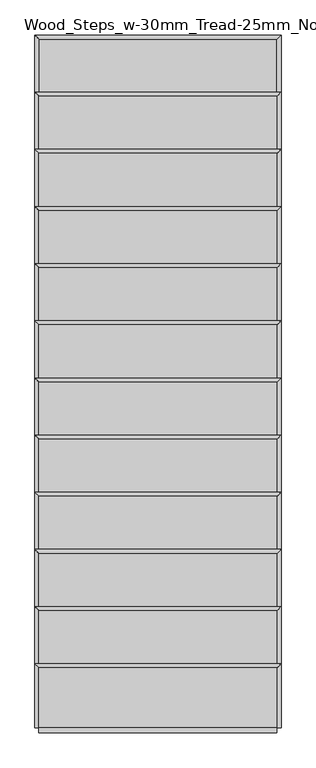
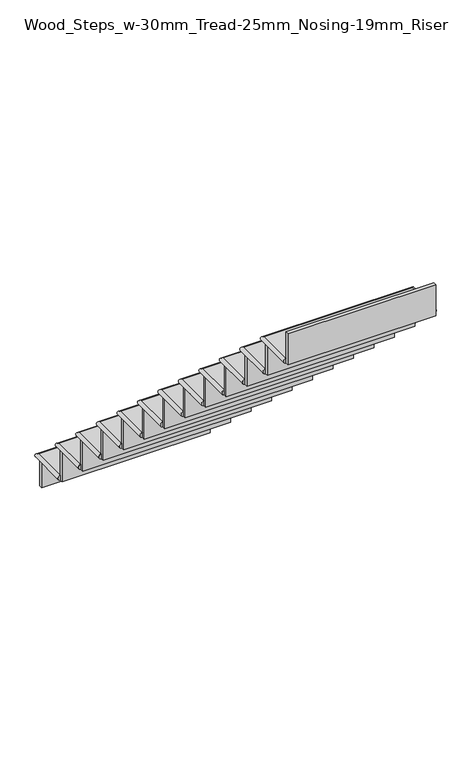
"""IFC4 building model written with IfcOpenShell, lengths in millimetres: stair flight geometry, Wood_Steps_w-30mm_Tread-25mm_Nosing-19mm_Riser."""

from ifc_helpers import new_model, si_unit, frame, origin, place, context, project, spatial, circle_curve, ellipse_curve, faceted_brep, source, transform, mapped, element, save
from ifc_brep_helpers import plane_surface, cylinder_surface, advanced_brep


def wood_steps_w_30mm_tread_25mm_nosing_19mm_riser_48429046(model_context):
    return source(origin(), model_context, "Body", "SolidModel", [
        advanced_brep(
        [(-45354.1135989, 50620.4031967, 108465.1568705), (-45354.1135989, 50620.4031967, 108495.1568705), (-45354.1135989, 50840.4031967, 108495.1568705), (-45354.1135989, 50840.4031967, 108465.1568705), (-44480.1323239, 50840.4031967, 108495.1568705), (-44480.1323239, 50840.4031967, 108465.1568705), (-44480.1323239, 50620.4031967, 108495.1568705), (-44480.1323239, 50620.4031967, 108465.1568705)],
        [
            (0, 1, circle_curve(frame((-45354.1135989, 50620.4031967, 108480.1568705), z_axis=(0.0, 1.0, 0.0), x_axis=(1.0, 0.0, 0.0)), 15.0)),
            (1, 2),
            (2, 3, ellipse_curve(frame((-45354.1135989, 50840.4031967, 108480.1568705), z_axis=(-0.7071067811865475, -0.7071067811865475, 0.0), x_axis=(0.7071067811865474, -0.7071067811865476, 0.0)), 21.2132034, 15.0)),
            (3, 0),
            (2, 4),
            (4, 5, ellipse_curve(frame((-44480.1323239, 50840.4031967, 108480.1568705), z_axis=(-0.7071067811865475, 0.7071067811865475, 0.0), x_axis=(-0.7071067811865476, -0.7071067811865474, 0.0)), 21.2132034, 15.0)),
            (5, 3),
            (4, 6),
            (6, 7, circle_curve(frame((-44480.1323239, 50620.4031967, 108480.1568705), z_axis=(0.0, 1.0, 0.0), x_axis=(-1.0, 0.0, 0.0)), 15.0)),
            (7, 5),
            (1, 6),
            (7, 0),
        ],
        [
            cylinder_surface(frame((-45354.1135989, 50620.4031967, 108480.1568705), z_axis=(0.0, -1.0, 0.0), x_axis=(1.0, 0.0, 0.0)), 15.0),
            cylinder_surface(frame((-45354.1135989, 50840.4031967, 108480.1568705), z_axis=(-1.0, 0.0, 0.0), x_axis=(0.0, -1.0, 0.0)), 15.0),
            cylinder_surface(frame((-44480.1323239, 50840.4031967, 108480.1568705), z_axis=(0.0, 1.0, 0.0), x_axis=(-1.0, 0.0, 0.0)), 15.0),
            plane_surface(frame((-44480.1323239, 50855.4031967, 108495.1568705), z_axis=(0.0, 0.0, 1.0), x_axis=(0.0, 1.0, 0.0))),
            plane_surface(frame((-44480.1323239, 50855.4031967, 108465.1568705), z_axis=(0.0, 0.0, -1.0), x_axis=(0.0, -1.0, 0.0))),
            plane_surface(frame((-45354.1135989, 50620.4031967, 108495.1568705), z_axis=(0.0, -1.0, 0.0), x_axis=(0.0, 0.0, -1.0))),
        ],
        [
            (0, [[1, 2, 3, 4]]),
            (1, [[-3, 5, 6, 7]]),
            (2, [[-6, 8, 9, 10]]),
            (3, [[11, -8, -5, -2]]),
            (4, [[12, -4, -7, -10]]),
            (5, [[-11, -1, -12, -9]]),
        ],
    ),
        faceted_brep([(-45354.1135989, 50830.4031967, 108465.1568705), (-45354.1135989, 50830.4031967, 108301.3956315), (-45354.1135989, 50811.4031967, 108301.3956315), (-45354.1135989, 50811.4031967, 108465.1568705), (-44480.1323239, 50830.4031967, 108465.1568705), (-44480.1323239, 50811.4031967, 108465.1568705), (-44480.1323239, 50811.4031967, 108301.3956315), (-44480.1323239, 50830.4031967, 108301.3956315)], [[[0, 1, 2, 3]], [[4, 5, 6, 7]], [[1, 0, 4, 7]], [[2, 1, 7, 6]], [[3, 2, 6, 5]], [[0, 3, 5, 4]]]),
        faceted_brep([(-45354.1135989, 50620.4031967, 108658.9181096), (-45354.1135989, 50620.4031967, 108465.1568705), (-45354.1135989, 50601.4031967, 108465.1568705), (-45354.1135989, 50601.4031967, 108658.9181096), (-44480.1323239, 50620.4031967, 108658.9181096), (-44480.1323239, 50601.4031967, 108658.9181096), (-44480.1323239, 50601.4031967, 108465.1568705), (-44480.1323239, 50620.4031967, 108465.1568705)], [[[0, 1, 2, 3]], [[4, 5, 6, 7]], [[1, 0, 4, 7]], [[2, 1, 7, 6]], [[3, 2, 6, 5]], [[0, 3, 5, 4]]]),
        advanced_brep(
        [(-45354.1135989, 50410.4031967, 108688.9181096), (-44480.1323239, 50410.4031967, 108688.9181096), (-44480.1323239, 50630.4031967, 108688.9181096), (-45354.1135989, 50630.4031967, 108688.9181096), (-44480.1323239, 50410.4031967, 108658.9181096), (-45354.1135989, 50410.4031967, 108658.9181096), (-45354.1135989, 50630.4031967, 108658.9181096), (-44480.1323239, 50630.4031967, 108658.9181096)],
        [
            (0, 1),
            (1, 2),
            (2, 3),
            (3, 0),
            (4, 5),
            (5, 6),
            (6, 7),
            (7, 4),
            (0, 5, circle_curve(frame((-45354.1135989, 50410.4031967, 108673.9181096), z_axis=(0.0, -1.0, 0.0), x_axis=(1.0, 0.0, 0.0)), 15.0)),
            (4, 1, circle_curve(frame((-44480.1323239, 50410.4031967, 108673.9181096), z_axis=(0.0, -1.0, 0.0), x_axis=(-1.0, 0.0, 0.0)), 15.0)),
            (3, 6, ellipse_curve(frame((-45354.1135989, 50630.4031967, 108673.9181096), z_axis=(-0.7071067811865475, -0.7071067811865475, 0.0), x_axis=(0.7071067811865474, -0.7071067811865476, 0.0)), 21.2132034, 15.0)),
            (2, 7, ellipse_curve(frame((-44480.1323239, 50630.4031967, 108673.9181096), z_axis=(-0.7071067811865475, 0.7071067811865475, 0.0), x_axis=(-0.7071067811865476, -0.7071067811865474, 0.0)), 21.2132034, 15.0)),
        ],
        [
            plane_surface(frame((-44480.1323239, 50855.4031967, 108688.9181096), z_axis=(0.0, 0.0, 1.0), x_axis=(0.0, 1.0, 0.0))),
            plane_surface(frame((-44480.1323239, 50855.4031967, 108658.9181096), z_axis=(0.0, 0.0, -1.0), x_axis=(0.0, -1.0, 0.0))),
            plane_surface(frame((-45354.1135989, 50410.4031967, 108688.9181096), z_axis=(0.0, -1.0, 0.0), x_axis=(0.0, 0.0, -1.0))),
            cylinder_surface(frame((-45354.1135989, 50410.4031967, 108673.9181096), z_axis=(0.0, -1.0, 0.0), x_axis=(1.0, 0.0, 0.0)), 15.0),
            cylinder_surface(frame((-45354.1135989, 50630.4031967, 108673.9181096), z_axis=(-1.0, 0.0, 0.0), x_axis=(0.0, -1.0, 0.0)), 15.0),
            cylinder_surface(frame((-44480.1323239, 50630.4031967, 108673.9181096), z_axis=(0.0, 1.0, 0.0), x_axis=(-1.0, 0.0, 0.0)), 15.0),
        ],
        [
            (0, [[1, 2, 3, 4]]),
            (1, [[5, 6, 7, 8]]),
            (2, [[-1, 9, -5, 10]]),
            (3, [[-9, -4, 11, -6]]),
            (4, [[-11, -3, 12, -7]]),
            (5, [[-12, -2, -10, -8]]),
        ],
    ),
        faceted_brep([(-45354.1135989, 50410.4031967, 108852.6793486), (-45354.1135989, 50410.4031967, 108658.9181096), (-45354.1135989, 50391.4031967, 108658.9181096), (-45354.1135989, 50391.4031967, 108852.6793486), (-44480.1323239, 50410.4031967, 108852.6793486), (-44480.1323239, 50391.4031967, 108852.6793486), (-44480.1323239, 50391.4031967, 108658.9181096), (-44480.1323239, 50410.4031967, 108658.9181096)], [[[0, 1, 2, 3]], [[4, 5, 6, 7]], [[1, 0, 4, 7]], [[2, 1, 7, 6]], [[3, 2, 6, 5]], [[0, 3, 5, 4]]]),
        advanced_brep(
        [(-45354.1135989, 50200.4031967, 108882.6793486), (-44480.1323239, 50200.4031967, 108882.6793486), (-44480.1323239, 50420.4031967, 108882.6793486), (-45354.1135989, 50420.4031967, 108882.6793486), (-44480.1323239, 50200.4031967, 108852.6793486), (-45354.1135989, 50200.4031967, 108852.6793486), (-45354.1135989, 50420.4031967, 108852.6793486), (-44480.1323239, 50420.4031967, 108852.6793486)],
        [
            (0, 1),
            (1, 2),
            (2, 3),
            (3, 0),
            (4, 5),
            (5, 6),
            (6, 7),
            (7, 4),
            (0, 5, circle_curve(frame((-45354.1135989, 50200.4031967, 108867.6793486), z_axis=(0.0, -1.0, 0.0), x_axis=(1.0, 0.0, 0.0)), 15.0)),
            (4, 1, circle_curve(frame((-44480.1323239, 50200.4031967, 108867.6793486), z_axis=(0.0, -1.0, 0.0), x_axis=(-1.0, 0.0, 0.0)), 15.0)),
            (3, 6, ellipse_curve(frame((-45354.1135989, 50420.4031967, 108867.6793486), z_axis=(-0.7071067811865475, -0.7071067811865475, 0.0), x_axis=(0.7071067811865474, -0.7071067811865476, 0.0)), 21.2132034, 15.0)),
            (2, 7, ellipse_curve(frame((-44480.1323239, 50420.4031967, 108867.6793486), z_axis=(-0.7071067811865475, 0.7071067811865475, 0.0), x_axis=(-0.7071067811865476, -0.7071067811865474, 0.0)), 21.2132034, 15.0)),
        ],
        [
            plane_surface(frame((-44480.1323239, 50645.4031967, 108882.6793486), z_axis=(0.0, 0.0, 1.0), x_axis=(0.0, 1.0, 0.0))),
            plane_surface(frame((-44480.1323239, 50645.4031967, 108852.6793486), z_axis=(0.0, 0.0, -1.0), x_axis=(0.0, -1.0, 0.0))),
            plane_surface(frame((-45354.1135989, 50200.4031967, 108882.6793486), z_axis=(0.0, -1.0, 0.0), x_axis=(0.0, 0.0, -1.0))),
            cylinder_surface(frame((-45354.1135989, 50200.4031967, 108867.6793486), z_axis=(0.0, -1.0, 0.0), x_axis=(1.0, 0.0, 0.0)), 15.0),
            cylinder_surface(frame((-45354.1135989, 50420.4031967, 108867.6793486), z_axis=(-1.0, 0.0, 0.0), x_axis=(0.0, -1.0, 0.0)), 15.0),
            cylinder_surface(frame((-44480.1323239, 50420.4031967, 108867.6793486), z_axis=(0.0, 1.0, 0.0), x_axis=(-1.0, 0.0, 0.0)), 15.0),
        ],
        [
            (0, [[1, 2, 3, 4]]),
            (1, [[5, 6, 7, 8]]),
            (2, [[-1, 9, -5, 10]]),
            (3, [[-9, -4, 11, -6]]),
            (4, [[-11, -3, 12, -7]]),
            (5, [[-12, -2, -10, -8]]),
        ],
    ),
        faceted_brep([(-45354.1135989, 50200.4031967, 109046.4405877), (-45354.1135989, 50200.4031967, 108852.6793486), (-45354.1135989, 50181.4031967, 108852.6793486), (-45354.1135989, 50181.4031967, 109046.4405877), (-44480.1323239, 50200.4031967, 109046.4405877), (-44480.1323239, 50181.4031967, 109046.4405877), (-44480.1323239, 50181.4031967, 108852.6793486), (-44480.1323239, 50200.4031967, 108852.6793486)], [[[0, 1, 2, 3]], [[4, 5, 6, 7]], [[1, 0, 4, 7]], [[2, 1, 7, 6]], [[3, 2, 6, 5]], [[0, 3, 5, 4]]]),
        advanced_brep(
        [(-45354.1135989, 49990.4031967, 109076.4405877), (-44480.1323239, 49990.4031967, 109076.4405877), (-44480.1323239, 50210.4031967, 109076.4405877), (-45354.1135989, 50210.4031967, 109076.4405877), (-44480.1323239, 49990.4031967, 109046.4405877), (-45354.1135989, 49990.4031967, 109046.4405877), (-45354.1135989, 50210.4031967, 109046.4405877), (-44480.1323239, 50210.4031967, 109046.4405877)],
        [
            (0, 1),
            (1, 2),
            (2, 3),
            (3, 0),
            (4, 5),
            (5, 6),
            (6, 7),
            (7, 4),
            (0, 5, circle_curve(frame((-45354.1135989, 49990.4031967, 109061.4405877), z_axis=(0.0, -1.0, 0.0), x_axis=(1.0, 0.0, 0.0)), 15.0)),
            (4, 1, circle_curve(frame((-44480.1323239, 49990.4031967, 109061.4405877), z_axis=(0.0, -1.0, 0.0), x_axis=(-1.0, 0.0, 0.0)), 15.0)),
            (3, 6, ellipse_curve(frame((-45354.1135989, 50210.4031967, 109061.4405877), z_axis=(-0.7071067811865475, -0.7071067811865475, 0.0), x_axis=(0.7071067811865474, -0.7071067811865476, 0.0)), 21.2132034, 15.0)),
            (2, 7, ellipse_curve(frame((-44480.1323239, 50210.4031967, 109061.4405877), z_axis=(-0.7071067811865475, 0.7071067811865475, 0.0), x_axis=(-0.7071067811865476, -0.7071067811865474, 0.0)), 21.2132034, 15.0)),
        ],
        [
            plane_surface(frame((-44480.1323239, 50435.4031967, 109076.4405877), z_axis=(0.0, 0.0, 1.0), x_axis=(0.0, 1.0, 0.0))),
            plane_surface(frame((-44480.1323239, 50435.4031967, 109046.4405877), z_axis=(0.0, 0.0, -1.0), x_axis=(0.0, -1.0, 0.0))),
            plane_surface(frame((-45354.1135989, 49990.4031967, 109076.4405877), z_axis=(0.0, -1.0, 0.0), x_axis=(0.0, 0.0, -1.0))),
            cylinder_surface(frame((-45354.1135989, 49990.4031967, 109061.4405877), z_axis=(0.0, -1.0, 0.0), x_axis=(1.0, 0.0, 0.0)), 15.0),
            cylinder_surface(frame((-45354.1135989, 50210.4031967, 109061.4405877), z_axis=(-1.0, 0.0, 0.0), x_axis=(0.0, -1.0, 0.0)), 15.0),
            cylinder_surface(frame((-44480.1323239, 50210.4031967, 109061.4405877), z_axis=(0.0, 1.0, 0.0), x_axis=(-1.0, 0.0, 0.0)), 15.0),
        ],
        [
            (0, [[1, 2, 3, 4]]),
            (1, [[5, 6, 7, 8]]),
            (2, [[-1, 9, -5, 10]]),
            (3, [[-9, -4, 11, -6]]),
            (4, [[-11, -3, 12, -7]]),
            (5, [[-12, -2, -10, -8]]),
        ],
    ),
        faceted_brep([(-45354.1135989, 49990.4031967, 109240.2018267), (-45354.1135989, 49990.4031967, 109046.4405877), (-45354.1135989, 49971.4031967, 109046.4405877), (-45354.1135989, 49971.4031967, 109240.2018267), (-44480.1323239, 49990.4031967, 109240.2018267), (-44480.1323239, 49971.4031967, 109240.2018267), (-44480.1323239, 49971.4031967, 109046.4405877), (-44480.1323239, 49990.4031967, 109046.4405877)], [[[0, 1, 2, 3]], [[4, 5, 6, 7]], [[1, 0, 4, 7]], [[2, 1, 7, 6]], [[3, 2, 6, 5]], [[0, 3, 5, 4]]]),
        advanced_brep(
        [(-45354.1135989, 49780.4031967, 109270.2018267), (-44480.1323239, 49780.4031967, 109270.2018267), (-44480.1323239, 50000.4031967, 109270.2018267), (-45354.1135989, 50000.4031967, 109270.2018267), (-44480.1323239, 49780.4031967, 109240.2018267), (-45354.1135989, 49780.4031967, 109240.2018267), (-45354.1135989, 50000.4031967, 109240.2018267), (-44480.1323239, 50000.4031967, 109240.2018267)],
        [
            (0, 1),
            (1, 2),
            (2, 3),
            (3, 0),
            (4, 5),
            (5, 6),
            (6, 7),
            (7, 4),
            (0, 5, circle_curve(frame((-45354.1135989, 49780.4031967, 109255.2018267), z_axis=(0.0, -1.0, 0.0), x_axis=(1.0, 0.0, 0.0)), 15.0)),
            (4, 1, circle_curve(frame((-44480.1323239, 49780.4031967, 109255.2018267), z_axis=(0.0, -1.0, 0.0), x_axis=(-1.0, 0.0, 0.0)), 15.0)),
            (3, 6, ellipse_curve(frame((-45354.1135989, 50000.4031967, 109255.2018267), z_axis=(-0.7071067811865475, -0.7071067811865475, 0.0), x_axis=(0.7071067811865474, -0.7071067811865476, 0.0)), 21.2132034, 15.0)),
            (2, 7, ellipse_curve(frame((-44480.1323239, 50000.4031967, 109255.2018267), z_axis=(-0.7071067811865475, 0.7071067811865475, 0.0), x_axis=(-0.7071067811865476, -0.7071067811865474, 0.0)), 21.2132034, 15.0)),
        ],
        [
            plane_surface(frame((-44480.1323239, 50225.4031967, 109270.2018267), z_axis=(0.0, 0.0, 1.0), x_axis=(0.0, 1.0, 0.0))),
            plane_surface(frame((-44480.1323239, 50225.4031967, 109240.2018267), z_axis=(0.0, 0.0, -1.0), x_axis=(0.0, -1.0, 0.0))),
            plane_surface(frame((-45354.1135989, 49780.4031967, 109270.2018267), z_axis=(0.0, -1.0, 0.0), x_axis=(0.0, 0.0, -1.0))),
            cylinder_surface(frame((-45354.1135989, 49780.4031967, 109255.2018267), z_axis=(0.0, -1.0, 0.0), x_axis=(1.0, 0.0, 0.0)), 15.0),
            cylinder_surface(frame((-45354.1135989, 50000.4031967, 109255.2018267), z_axis=(-1.0, 0.0, 0.0), x_axis=(0.0, -1.0, 0.0)), 15.0),
            cylinder_surface(frame((-44480.1323239, 50000.4031967, 109255.2018267), z_axis=(0.0, 1.0, 0.0), x_axis=(-1.0, 0.0, 0.0)), 15.0),
        ],
        [
            (0, [[1, 2, 3, 4]]),
            (1, [[5, 6, 7, 8]]),
            (2, [[-1, 9, -5, 10]]),
            (3, [[-9, -4, 11, -6]]),
            (4, [[-11, -3, 12, -7]]),
            (5, [[-12, -2, -10, -8]]),
        ],
    ),
        faceted_brep([(-45354.1135989, 49780.4031967, 109433.9630657), (-45354.1135989, 49780.4031967, 109240.2018267), (-45354.1135989, 49761.4031967, 109240.2018267), (-45354.1135989, 49761.4031967, 109433.9630657), (-44480.1323239, 49780.4031967, 109433.9630657), (-44480.1323239, 49761.4031967, 109433.9630657), (-44480.1323239, 49761.4031967, 109240.2018267), (-44480.1323239, 49780.4031967, 109240.2018267)], [[[0, 1, 2, 3]], [[4, 5, 6, 7]], [[1, 0, 4, 7]], [[2, 1, 7, 6]], [[3, 2, 6, 5]], [[0, 3, 5, 4]]]),
        advanced_brep(
        [(-45354.1135989, 49570.4031967, 109463.9630657), (-44480.1323239, 49570.4031967, 109463.9630657), (-44480.1323239, 49790.4031967, 109463.9630657), (-45354.1135989, 49790.4031967, 109463.9630657), (-44480.1323239, 49570.4031967, 109433.9630657), (-45354.1135989, 49570.4031967, 109433.9630657), (-45354.1135989, 49790.4031967, 109433.9630657), (-44480.1323239, 49790.4031967, 109433.9630657)],
        [
            (0, 1),
            (1, 2),
            (2, 3),
            (3, 0),
            (4, 5),
            (5, 6),
            (6, 7),
            (7, 4),
            (0, 5, circle_curve(frame((-45354.1135989, 49570.4031967, 109448.9630657), z_axis=(0.0, -1.0, 0.0), x_axis=(1.0, 0.0, 0.0)), 15.0)),
            (4, 1, circle_curve(frame((-44480.1323239, 49570.4031967, 109448.9630657), z_axis=(0.0, -1.0, 0.0), x_axis=(-1.0, 0.0, 0.0)), 15.0)),
            (3, 6, ellipse_curve(frame((-45354.1135989, 49790.4031967, 109448.9630657), z_axis=(-0.7071067811865475, -0.7071067811865475, 0.0), x_axis=(0.7071067811865474, -0.7071067811865476, 0.0)), 21.2132034, 15.0)),
            (2, 7, ellipse_curve(frame((-44480.1323239, 49790.4031967, 109448.9630657), z_axis=(-0.7071067811865475, 0.7071067811865475, 0.0), x_axis=(-0.7071067811865476, -0.7071067811865474, 0.0)), 21.2132034, 15.0)),
        ],
        [
            plane_surface(frame((-44480.1323239, 50015.4031967, 109463.9630657), z_axis=(0.0, 0.0, 1.0), x_axis=(0.0, 1.0, 0.0))),
            plane_surface(frame((-44480.1323239, 50015.4031967, 109433.9630657), z_axis=(0.0, 0.0, -1.0), x_axis=(0.0, -1.0, 0.0))),
            plane_surface(frame((-45354.1135989, 49570.4031967, 109463.9630657), z_axis=(0.0, -1.0, 0.0), x_axis=(0.0, 0.0, -1.0))),
            cylinder_surface(frame((-45354.1135989, 49570.4031967, 109448.9630657), z_axis=(0.0, -1.0, 0.0), x_axis=(1.0, 0.0, 0.0)), 15.0),
            cylinder_surface(frame((-45354.1135989, 49790.4031967, 109448.9630657), z_axis=(-1.0, 0.0, 0.0), x_axis=(0.0, -1.0, 0.0)), 15.0),
            cylinder_surface(frame((-44480.1323239, 49790.4031967, 109448.9630657), z_axis=(0.0, 1.0, 0.0), x_axis=(-1.0, 0.0, 0.0)), 15.0),
        ],
        [
            (0, [[1, 2, 3, 4]]),
            (1, [[5, 6, 7, 8]]),
            (2, [[-1, 9, -5, 10]]),
            (3, [[-9, -4, 11, -6]]),
            (4, [[-11, -3, 12, -7]]),
            (5, [[-12, -2, -10, -8]]),
        ],
    ),
        faceted_brep([(-45354.1135989, 49570.4031967, 109627.7243048), (-45354.1135989, 49570.4031967, 109433.9630657), (-45354.1135989, 49551.4031967, 109433.9630657), (-45354.1135989, 49551.4031967, 109627.7243048), (-44480.1323239, 49570.4031967, 109627.7243048), (-44480.1323239, 49551.4031967, 109627.7243048), (-44480.1323239, 49551.4031967, 109433.9630657), (-44480.1323239, 49570.4031967, 109433.9630657)], [[[0, 1, 2, 3]], [[4, 5, 6, 7]], [[1, 0, 4, 7]], [[2, 1, 7, 6]], [[3, 2, 6, 5]], [[0, 3, 5, 4]]]),
        advanced_brep(
        [(-45354.1135989, 49360.4031967, 109657.7243048), (-44480.1323239, 49360.4031967, 109657.7243048), (-44480.1323239, 49580.4031967, 109657.7243048), (-45354.1135989, 49580.4031967, 109657.7243048), (-44480.1323239, 49360.4031967, 109627.7243048), (-45354.1135989, 49360.4031967, 109627.7243048), (-45354.1135989, 49580.4031967, 109627.7243048), (-44480.1323239, 49580.4031967, 109627.7243048)],
        [
            (0, 1),
            (1, 2),
            (2, 3),
            (3, 0),
            (4, 5),
            (5, 6),
            (6, 7),
            (7, 4),
            (0, 5, circle_curve(frame((-45354.1135989, 49360.4031967, 109642.7243048), z_axis=(0.0, -1.0, 0.0), x_axis=(1.0, 0.0, 0.0)), 15.0)),
            (4, 1, circle_curve(frame((-44480.1323239, 49360.4031967, 109642.7243048), z_axis=(0.0, -1.0, 0.0), x_axis=(-1.0, 0.0, 0.0)), 15.0)),
            (3, 6, ellipse_curve(frame((-45354.1135989, 49580.4031967, 109642.7243048), z_axis=(-0.7071067811865475, -0.7071067811865475, 0.0), x_axis=(0.7071067811865474, -0.7071067811865476, 0.0)), 21.2132034, 15.0)),
            (2, 7, ellipse_curve(frame((-44480.1323239, 49580.4031967, 109642.7243048), z_axis=(-0.7071067811865475, 0.7071067811865475, 0.0), x_axis=(-0.7071067811865476, -0.7071067811865474, 0.0)), 21.2132034, 15.0)),
        ],
        [
            plane_surface(frame((-44480.1323239, 49805.4031967, 109657.7243048), z_axis=(0.0, 0.0, 1.0), x_axis=(0.0, 1.0, 0.0))),
            plane_surface(frame((-44480.1323239, 49805.4031967, 109627.7243048), z_axis=(0.0, 0.0, -1.0), x_axis=(0.0, -1.0, 0.0))),
            plane_surface(frame((-45354.1135989, 49360.4031967, 109657.7243048), z_axis=(0.0, -1.0, 0.0), x_axis=(0.0, 0.0, -1.0))),
            cylinder_surface(frame((-45354.1135989, 49360.4031967, 109642.7243048), z_axis=(0.0, -1.0, 0.0), x_axis=(1.0, 0.0, 0.0)), 15.0),
            cylinder_surface(frame((-45354.1135989, 49580.4031967, 109642.7243048), z_axis=(-1.0, 0.0, 0.0), x_axis=(0.0, -1.0, 0.0)), 15.0),
            cylinder_surface(frame((-44480.1323239, 49580.4031967, 109642.7243048), z_axis=(0.0, 1.0, 0.0), x_axis=(-1.0, 0.0, 0.0)), 15.0),
        ],
        [
            (0, [[1, 2, 3, 4]]),
            (1, [[5, 6, 7, 8]]),
            (2, [[-1, 9, -5, 10]]),
            (3, [[-9, -4, 11, -6]]),
            (4, [[-11, -3, 12, -7]]),
            (5, [[-12, -2, -10, -8]]),
        ],
    ),
        faceted_brep([(-45354.1135989, 49360.4031967, 109821.4855438), (-45354.1135989, 49360.4031967, 109627.7243048), (-45354.1135989, 49341.4031967, 109627.7243048), (-45354.1135989, 49341.4031967, 109821.4855438), (-44480.1323239, 49360.4031967, 109821.4855438), (-44480.1323239, 49341.4031967, 109821.4855438), (-44480.1323239, 49341.4031967, 109627.7243048), (-44480.1323239, 49360.4031967, 109627.7243048)], [[[0, 1, 2, 3]], [[4, 5, 6, 7]], [[1, 0, 4, 7]], [[2, 1, 7, 6]], [[3, 2, 6, 5]], [[0, 3, 5, 4]]]),
        advanced_brep(
        [(-45354.1135989, 49150.4031967, 109851.4855438), (-44480.1323239, 49150.4031967, 109851.4855438), (-44480.1323239, 49370.4031967, 109851.4855438), (-45354.1135989, 49370.4031967, 109851.4855438), (-44480.1323239, 49150.4031967, 109821.4855438), (-45354.1135989, 49150.4031967, 109821.4855438), (-45354.1135989, 49370.4031967, 109821.4855438), (-44480.1323239, 49370.4031967, 109821.4855438)],
        [
            (0, 1),
            (1, 2),
            (2, 3),
            (3, 0),
            (4, 5),
            (5, 6),
            (6, 7),
            (7, 4),
            (0, 5, circle_curve(frame((-45354.1135989, 49150.4031967, 109836.4855438), z_axis=(0.0, -1.0, 0.0), x_axis=(1.0, 0.0, 0.0)), 15.0)),
            (4, 1, circle_curve(frame((-44480.1323239, 49150.4031967, 109836.4855438), z_axis=(0.0, -1.0, 0.0), x_axis=(-1.0, 0.0, 0.0)), 15.0)),
            (3, 6, ellipse_curve(frame((-45354.1135989, 49370.4031967, 109836.4855438), z_axis=(-0.7071067811865475, -0.7071067811865475, 0.0), x_axis=(0.7071067811865474, -0.7071067811865476, 0.0)), 21.2132034, 15.0)),
            (2, 7, ellipse_curve(frame((-44480.1323239, 49370.4031967, 109836.4855438), z_axis=(-0.7071067811865475, 0.7071067811865475, 0.0), x_axis=(-0.7071067811865476, -0.7071067811865474, 0.0)), 21.2132034, 15.0)),
        ],
        [
            plane_surface(frame((-44480.1323239, 49595.4031967, 109851.4855438), z_axis=(0.0, 0.0, 1.0), x_axis=(0.0, 1.0, 0.0))),
            plane_surface(frame((-44480.1323239, 49595.4031967, 109821.4855438), z_axis=(0.0, 0.0, -1.0), x_axis=(0.0, -1.0, 0.0))),
            plane_surface(frame((-45354.1135989, 49150.4031967, 109851.4855438), z_axis=(0.0, -1.0, 0.0), x_axis=(0.0, 0.0, -1.0))),
            cylinder_surface(frame((-45354.1135989, 49150.4031967, 109836.4855438), z_axis=(0.0, -1.0, 0.0), x_axis=(1.0, 0.0, 0.0)), 15.0),
            cylinder_surface(frame((-45354.1135989, 49370.4031967, 109836.4855438), z_axis=(-1.0, 0.0, 0.0), x_axis=(0.0, -1.0, 0.0)), 15.0),
            cylinder_surface(frame((-44480.1323239, 49370.4031967, 109836.4855438), z_axis=(0.0, 1.0, 0.0), x_axis=(-1.0, 0.0, 0.0)), 15.0),
        ],
        [
            (0, [[1, 2, 3, 4]]),
            (1, [[5, 6, 7, 8]]),
            (2, [[-1, 9, -5, 10]]),
            (3, [[-9, -4, 11, -6]]),
            (4, [[-11, -3, 12, -7]]),
            (5, [[-12, -2, -10, -8]]),
        ],
    ),
        faceted_brep([(-45354.1135989, 49150.4031967, 110015.2467829), (-45354.1135989, 49150.4031967, 109821.4855438), (-45354.1135989, 49131.4031967, 109821.4855438), (-45354.1135989, 49131.4031967, 110015.2467829), (-44480.1323239, 49150.4031967, 110015.2467829), (-44480.1323239, 49131.4031967, 110015.2467829), (-44480.1323239, 49131.4031967, 109821.4855438), (-44480.1323239, 49150.4031967, 109821.4855438)], [[[0, 1, 2, 3]], [[4, 5, 6, 7]], [[1, 0, 4, 7]], [[2, 1, 7, 6]], [[3, 2, 6, 5]], [[0, 3, 5, 4]]]),
        advanced_brep(
        [(-45354.1135989, 48940.4031967, 110045.2467829), (-44480.1323239, 48940.4031967, 110045.2467829), (-44480.1323239, 49160.4031967, 110045.2467829), (-45354.1135989, 49160.4031967, 110045.2467829), (-44480.1323239, 48940.4031967, 110015.2467829), (-45354.1135989, 48940.4031967, 110015.2467829), (-45354.1135989, 49160.4031967, 110015.2467829), (-44480.1323239, 49160.4031967, 110015.2467829)],
        [
            (0, 1),
            (1, 2),
            (2, 3),
            (3, 0),
            (4, 5),
            (5, 6),
            (6, 7),
            (7, 4),
            (0, 5, circle_curve(frame((-45354.1135989, 48940.4031967, 110030.2467829), z_axis=(0.0, -1.0, 0.0), x_axis=(1.0, 0.0, 0.0)), 15.0)),
            (4, 1, circle_curve(frame((-44480.1323239, 48940.4031967, 110030.2467829), z_axis=(0.0, -1.0, 0.0), x_axis=(-1.0, 0.0, 0.0)), 15.0)),
            (3, 6, ellipse_curve(frame((-45354.1135989, 49160.4031967, 110030.2467829), z_axis=(-0.7071067811865475, -0.7071067811865475, 0.0), x_axis=(0.7071067811865474, -0.7071067811865476, 0.0)), 21.2132034, 15.0)),
            (2, 7, ellipse_curve(frame((-44480.1323239, 49160.4031967, 110030.2467829), z_axis=(-0.7071067811865475, 0.7071067811865475, 0.0), x_axis=(-0.7071067811865476, -0.7071067811865474, 0.0)), 21.2132034, 15.0)),
        ],
        [
            plane_surface(frame((-44480.1323239, 49385.4031967, 110045.2467829), z_axis=(0.0, 0.0, 1.0), x_axis=(0.0, 1.0, 0.0))),
            plane_surface(frame((-44480.1323239, 49385.4031967, 110015.2467829), z_axis=(0.0, 0.0, -1.0), x_axis=(0.0, -1.0, 0.0))),
            plane_surface(frame((-45354.1135989, 48940.4031967, 110045.2467829), z_axis=(0.0, -1.0, 0.0), x_axis=(0.0, 0.0, -1.0))),
            cylinder_surface(frame((-45354.1135989, 48940.4031967, 110030.2467829), z_axis=(0.0, -1.0, 0.0), x_axis=(1.0, 0.0, 0.0)), 15.0),
            cylinder_surface(frame((-45354.1135989, 49160.4031967, 110030.2467829), z_axis=(-1.0, 0.0, 0.0), x_axis=(0.0, -1.0, 0.0)), 15.0),
            cylinder_surface(frame((-44480.1323239, 49160.4031967, 110030.2467829), z_axis=(0.0, 1.0, 0.0), x_axis=(-1.0, 0.0, 0.0)), 15.0),
        ],
        [
            (0, [[1, 2, 3, 4]]),
            (1, [[5, 6, 7, 8]]),
            (2, [[-1, 9, -5, 10]]),
            (3, [[-9, -4, 11, -6]]),
            (4, [[-11, -3, 12, -7]]),
            (5, [[-12, -2, -10, -8]]),
        ],
    ),
        faceted_brep([(-45354.1135989, 48940.4031967, 110209.0080219), (-45354.1135989, 48940.4031967, 110015.2467829), (-45354.1135989, 48921.4031967, 110015.2467829), (-45354.1135989, 48921.4031967, 110209.0080219), (-44480.1323239, 48940.4031967, 110209.0080219), (-44480.1323239, 48921.4031967, 110209.0080219), (-44480.1323239, 48921.4031967, 110015.2467829), (-44480.1323239, 48940.4031967, 110015.2467829)], [[[0, 1, 2, 3]], [[4, 5, 6, 7]], [[1, 0, 4, 7]], [[2, 1, 7, 6]], [[3, 2, 6, 5]], [[0, 3, 5, 4]]]),
        advanced_brep(
        [(-45354.1135989, 48730.4031967, 110239.0080219), (-44480.1323239, 48730.4031967, 110239.0080219), (-44480.1323239, 48950.4031967, 110239.0080219), (-45354.1135989, 48950.4031967, 110239.0080219), (-44480.1323239, 48730.4031967, 110209.0080219), (-45354.1135989, 48730.4031967, 110209.0080219), (-45354.1135989, 48950.4031967, 110209.0080219), (-44480.1323239, 48950.4031967, 110209.0080219)],
        [
            (0, 1),
            (1, 2),
            (2, 3),
            (3, 0),
            (4, 5),
            (5, 6),
            (6, 7),
            (7, 4),
            (0, 5, circle_curve(frame((-45354.1135989, 48730.4031967, 110224.0080219), z_axis=(0.0, -1.0, 0.0), x_axis=(1.0, 0.0, 0.0)), 15.0)),
            (4, 1, circle_curve(frame((-44480.1323239, 48730.4031967, 110224.0080219), z_axis=(0.0, -1.0, 0.0), x_axis=(-1.0, 0.0, 0.0)), 15.0)),
            (3, 6, ellipse_curve(frame((-45354.1135989, 48950.4031967, 110224.0080219), z_axis=(-0.7071067811865475, -0.7071067811865475, 0.0), x_axis=(0.7071067811865474, -0.7071067811865476, 0.0)), 21.2132034, 15.0)),
            (2, 7, ellipse_curve(frame((-44480.1323239, 48950.4031967, 110224.0080219), z_axis=(-0.7071067811865475, 0.7071067811865475, 0.0), x_axis=(-0.7071067811865476, -0.7071067811865474, 0.0)), 21.2132034, 15.0)),
        ],
        [
            plane_surface(frame((-44480.1323239, 49175.4031967, 110239.0080219), z_axis=(0.0, 0.0, 1.0), x_axis=(0.0, 1.0, 0.0))),
            plane_surface(frame((-44480.1323239, 49175.4031967, 110209.0080219), z_axis=(0.0, 0.0, -1.0), x_axis=(0.0, -1.0, 0.0))),
            plane_surface(frame((-45354.1135989, 48730.4031967, 110239.0080219), z_axis=(0.0, -1.0, 0.0), x_axis=(0.0, 0.0, -1.0))),
            cylinder_surface(frame((-45354.1135989, 48730.4031967, 110224.0080219), z_axis=(0.0, -1.0, 0.0), x_axis=(1.0, 0.0, 0.0)), 15.0),
            cylinder_surface(frame((-45354.1135989, 48950.4031967, 110224.0080219), z_axis=(-1.0, 0.0, 0.0), x_axis=(0.0, -1.0, 0.0)), 15.0),
            cylinder_surface(frame((-44480.1323239, 48950.4031967, 110224.0080219), z_axis=(0.0, 1.0, 0.0), x_axis=(-1.0, 0.0, 0.0)), 15.0),
        ],
        [
            (0, [[1, 2, 3, 4]]),
            (1, [[5, 6, 7, 8]]),
            (2, [[-1, 9, -5, 10]]),
            (3, [[-9, -4, 11, -6]]),
            (4, [[-11, -3, 12, -7]]),
            (5, [[-12, -2, -10, -8]]),
        ],
    ),
        faceted_brep([(-45354.1135989, 48730.4031967, 110402.769261), (-45354.1135989, 48730.4031967, 110209.0080219), (-45354.1135989, 48711.4031967, 110209.0080219), (-45354.1135989, 48711.4031967, 110402.769261), (-44480.1323239, 48730.4031967, 110402.769261), (-44480.1323239, 48711.4031967, 110402.769261), (-44480.1323239, 48711.4031967, 110209.0080219), (-44480.1323239, 48730.4031967, 110209.0080219)], [[[0, 1, 2, 3]], [[4, 5, 6, 7]], [[1, 0, 4, 7]], [[2, 1, 7, 6]], [[3, 2, 6, 5]], [[0, 3, 5, 4]]]),
        advanced_brep(
        [(-45354.1135989, 48520.4031967, 110432.769261), (-44480.1323239, 48520.4031967, 110432.769261), (-44480.1323239, 48740.4031967, 110432.769261), (-45354.1135989, 48740.4031967, 110432.769261), (-44480.1323239, 48520.4031967, 110402.769261), (-45354.1135989, 48520.4031967, 110402.769261), (-45354.1135989, 48740.4031967, 110402.769261), (-44480.1323239, 48740.4031967, 110402.769261)],
        [
            (0, 1),
            (1, 2),
            (2, 3),
            (3, 0),
            (4, 5),
            (5, 6),
            (6, 7),
            (7, 4),
            (0, 5, circle_curve(frame((-45354.1135989, 48520.4031967, 110417.769261), z_axis=(0.0, -1.0, 0.0), x_axis=(1.0, 0.0, 0.0)), 15.0)),
            (4, 1, circle_curve(frame((-44480.1323239, 48520.4031967, 110417.769261), z_axis=(0.0, -1.0, 0.0), x_axis=(-1.0, 0.0, 0.0)), 15.0)),
            (3, 6, ellipse_curve(frame((-45354.1135989, 48740.4031967, 110417.769261), z_axis=(-0.7071067811865475, -0.7071067811865475, 0.0), x_axis=(0.7071067811865474, -0.7071067811865476, 0.0)), 21.2132034, 15.0)),
            (2, 7, ellipse_curve(frame((-44480.1323239, 48740.4031967, 110417.769261), z_axis=(-0.7071067811865475, 0.7071067811865475, 0.0), x_axis=(-0.7071067811865476, -0.7071067811865474, 0.0)), 21.2132034, 15.0)),
        ],
        [
            plane_surface(frame((-44480.1323239, 48965.4031967, 110432.769261), z_axis=(0.0, 0.0, 1.0), x_axis=(0.0, 1.0, 0.0))),
            plane_surface(frame((-44480.1323239, 48965.4031967, 110402.769261), z_axis=(0.0, 0.0, -1.0), x_axis=(0.0, -1.0, 0.0))),
            plane_surface(frame((-45354.1135989, 48520.4031967, 110432.769261), z_axis=(0.0, -1.0, 0.0), x_axis=(0.0, 0.0, -1.0))),
            cylinder_surface(frame((-45354.1135989, 48520.4031967, 110417.769261), z_axis=(0.0, -1.0, 0.0), x_axis=(1.0, 0.0, 0.0)), 15.0),
            cylinder_surface(frame((-45354.1135989, 48740.4031967, 110417.769261), z_axis=(-1.0, 0.0, 0.0), x_axis=(0.0, -1.0, 0.0)), 15.0),
            cylinder_surface(frame((-44480.1323239, 48740.4031967, 110417.769261), z_axis=(0.0, 1.0, 0.0), x_axis=(-1.0, 0.0, 0.0)), 15.0),
        ],
        [
            (0, [[1, 2, 3, 4]]),
            (1, [[5, 6, 7, 8]]),
            (2, [[-1, 9, -5, 10]]),
            (3, [[-9, -4, 11, -6]]),
            (4, [[-11, -3, 12, -7]]),
            (5, [[-12, -2, -10, -8]]),
        ],
    ),
        faceted_brep([(-45354.1135989, 48520.4031967, 110596.5305), (-45354.1135989, 48520.4031967, 110402.769261), (-45354.1135989, 48501.4031967, 110402.769261), (-45354.1135989, 48501.4031967, 110596.5305), (-44480.1323239, 48520.4031967, 110596.5305), (-44480.1323239, 48501.4031967, 110596.5305), (-44480.1323239, 48501.4031967, 110402.769261), (-44480.1323239, 48520.4031967, 110402.769261)], [[[0, 1, 2, 3]], [[4, 5, 6, 7]], [[1, 0, 4, 7]], [[2, 1, 7, 6]], [[3, 2, 6, 5]], [[0, 3, 5, 4]]]),
        faceted_brep([(-45354.1135989, 48310.4031967, 110790.291739), (-45354.1135989, 48310.4031967, 110596.5305), (-45354.1135989, 48291.4031967, 110596.5305), (-45354.1135989, 48291.4031967, 110790.291739), (-44480.1323239, 48310.4031967, 110790.291739), (-44480.1323239, 48291.4031967, 110790.291739), (-44480.1323239, 48291.4031967, 110596.5305), (-44480.1323239, 48310.4031967, 110596.5305)], [[[0, 1, 2, 3]], [[4, 5, 6, 7]], [[1, 0, 4, 7]], [[2, 1, 7, 6]], [[3, 2, 6, 5]], [[0, 3, 5, 4]]]),
        advanced_brep(
        [(-45354.1135989, 48310.4031967, 110626.5305), (-44480.1323239, 48310.4031967, 110626.5305), (-44480.1323239, 48530.4031967, 110626.5305), (-45354.1135989, 48530.4031967, 110626.5305), (-44480.1323239, 48310.4031967, 110596.5305), (-45354.1135989, 48310.4031967, 110596.5305), (-45354.1135989, 48530.4031967, 110596.5305), (-44480.1323239, 48530.4031967, 110596.5305)],
        [
            (0, 1),
            (1, 2),
            (2, 3),
            (3, 0),
            (4, 5),
            (5, 6),
            (6, 7),
            (7, 4),
            (0, 5, circle_curve(frame((-45354.1135989, 48310.4031967, 110611.5305), z_axis=(0.0, -1.0, 0.0), x_axis=(1.0, 0.0, 0.0)), 15.0)),
            (4, 1, circle_curve(frame((-44480.1323239, 48310.4031967, 110611.5305), z_axis=(0.0, -1.0, 0.0), x_axis=(-1.0, 0.0, 0.0)), 15.0)),
            (3, 6, ellipse_curve(frame((-45354.1135989, 48530.4031967, 110611.5305), z_axis=(-0.7071067811865475, -0.7071067811865475, 0.0), x_axis=(0.7071067811865474, -0.7071067811865476, 0.0)), 21.2132034, 15.0)),
            (2, 7, ellipse_curve(frame((-44480.1323239, 48530.4031967, 110611.5305), z_axis=(-0.7071067811865475, 0.7071067811865475, 0.0), x_axis=(-0.7071067811865476, -0.7071067811865474, 0.0)), 21.2132034, 15.0)),
        ],
        [
            plane_surface(frame((-44480.1323239, 48755.4031967, 110626.5305), z_axis=(0.0, 0.0, 1.0), x_axis=(0.0, 1.0, 0.0))),
            plane_surface(frame((-44480.1323239, 48755.4031967, 110596.5305), z_axis=(0.0, 0.0, -1.0), x_axis=(0.0, -1.0, 0.0))),
            plane_surface(frame((-45354.1135989, 48310.4031967, 110626.5305), z_axis=(0.0, -1.0, 0.0), x_axis=(0.0, 0.0, -1.0))),
            cylinder_surface(frame((-45354.1135989, 48310.4031967, 110611.5305), z_axis=(0.0, -1.0, 0.0), x_axis=(1.0, 0.0, 0.0)), 15.0),
            cylinder_surface(frame((-45354.1135989, 48530.4031967, 110611.5305), z_axis=(-1.0, 0.0, 0.0), x_axis=(0.0, -1.0, 0.0)), 15.0),
            cylinder_surface(frame((-44480.1323239, 48530.4031967, 110611.5305), z_axis=(0.0, 1.0, 0.0), x_axis=(-1.0, 0.0, 0.0)), 15.0),
        ],
        [
            (0, [[1, 2, 3, 4]]),
            (1, [[5, 6, 7, 8]]),
            (2, [[-1, 9, -5, 10]]),
            (3, [[-9, -4, 11, -6]]),
            (4, [[-11, -3, 12, -7]]),
            (5, [[-12, -2, -10, -8]]),
        ],
    ),
    ])


if __name__ == "__main__":
    model = new_model("IFC4")
    model_context = context("Model", 3, world=origin())
    ifc_project = project(units=[si_unit("LENGTHUNIT", "METRE", prefix="MILLI")], contexts=[model_context])
    site = spatial("IfcSite", under=ifc_project)
    building = spatial("IfcBuilding", under=site)
    placement = place(None, origin())
    wood_steps_w_30mm_tread_25mm_nosing_19mm_riser_shape = wood_steps_w_30mm_tread_25mm_nosing_19mm_riser_48429046(model_context)
    element("IfcStairFlight", 1, ObjectType="Wood_Steps_w-30mm_Tread-25mm_Nosing-19mm_Riser", at=placement, inside=building, context=model_context, shape_type="MappedRepresentation", body=[
        mapped(wood_steps_w_30mm_tread_25mm_nosing_19mm_riser_shape, transform((0.0, 0.0, 0.0), x_axis=(1.0, 0.0, 0.0), y_axis=(0.0, 1.0, 0.0), z_axis=(0.0, 0.0, 1.0))),
    ])
    save(model, "model.ifc")
